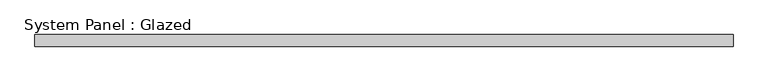
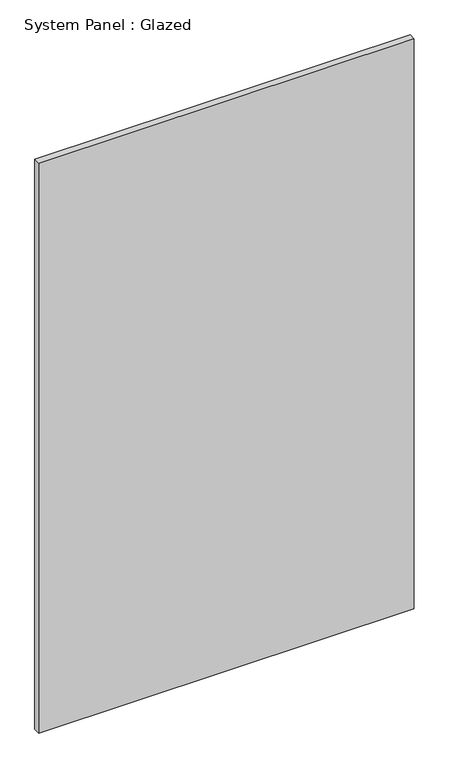
"""IFC4 building model written with IfcOpenShell, lengths in millimetres: plate geometry, System Panel : Glazed."""

from ifc_helpers import new_model, si_unit, origin, origin_with_axes, place, context, project, spatial, polyline, outline, extrude, source, transform, mapped, element, save


def system_panel_glazed_8ab755ad(model_context):
    return source(origin(), model_context, "Body", "SweptSolid", [
        extrude(outline(polyline([(725.0, 24.5), (-725.0, 24.5), (-725.0, 49.5), (725.0, 49.5), (725.0, 24.5)])), origin_with_axes(), (0.0, 0.0, 1.0), 2325.0),
    ])


if __name__ == "__main__":
    model = new_model("IFC4")
    model_context = context("Model", 3, world=origin())
    ifc_project = project(units=[si_unit("LENGTHUNIT", "METRE", prefix="MILLI")], contexts=[model_context])
    site = spatial("IfcSite", under=ifc_project)
    building = spatial("IfcBuilding", under=site)
    placement = place(None, origin())
    system_panel_glazed_shape = system_panel_glazed_8ab755ad(model_context)
    element("IfcPlate", 1, ObjectType="System Panel : Glazed", at=placement, inside=building, context=model_context, shape_type="MappedRepresentation", body=[
        mapped(system_panel_glazed_shape, transform((0.0, 0.0, 0.0), x_axis=(1.0, 0.0, 0.0), y_axis=(0.0, 1.0, 0.0), z_axis=(0.0, 0.0, 1.0))),
    ])
    save(model, "model.ifc")
